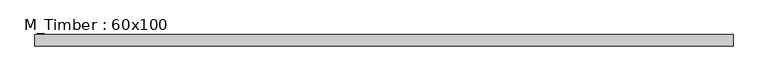
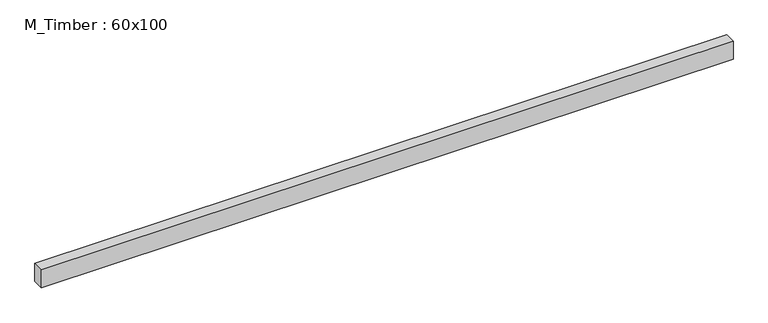
"""IFC4 building model written with IfcOpenShell, lengths in millimetres: beam geometry, M_Timber : 60x100."""

from ifc_helpers import new_model, si_unit, frame, origin, place, context, project, spatial, polyline, outline, extrude, source, transform, mapped, element, save


def m_timber_60x100_c0981822(model_context):
    return source(origin(), model_context, "Body", "SweptSolid", [
        extrude(outline(polyline([(1834.155158, 30.0), (1834.155158, -30.0), (-1828.4518756, -30.0), (-1828.4518756, 30.0), (1834.155158, 30.0)])), frame((0.0, 0.0, -50.0), z_axis=(0.0, 0.0, 1.0), x_axis=(1.0, 0.0, 0.0)), (0.0, 0.0, 1.0), 100.0),
    ])


if __name__ == "__main__":
    model = new_model("IFC4")
    model_context = context("Model", 3, world=origin())
    ifc_project = project(units=[si_unit("LENGTHUNIT", "METRE", prefix="MILLI")], contexts=[model_context])
    site = spatial("IfcSite", under=ifc_project)
    building = spatial("IfcBuilding", under=site)
    placement = place(None, origin())
    m_timber_60x100_shape = m_timber_60x100_c0981822(model_context)
    element("IfcBeam", 1, ObjectType="M_Timber : 60x100", at=placement, inside=building, context=model_context, shape_type="MappedRepresentation", body=[
        mapped(m_timber_60x100_shape, transform((0.0, 0.0, 0.0), x_axis=(1.0, 0.0, 0.0), y_axis=(0.0, 1.0, 0.0), z_axis=(0.0, 0.0, 1.0))),
    ])
    save(model, "model.ifc")
